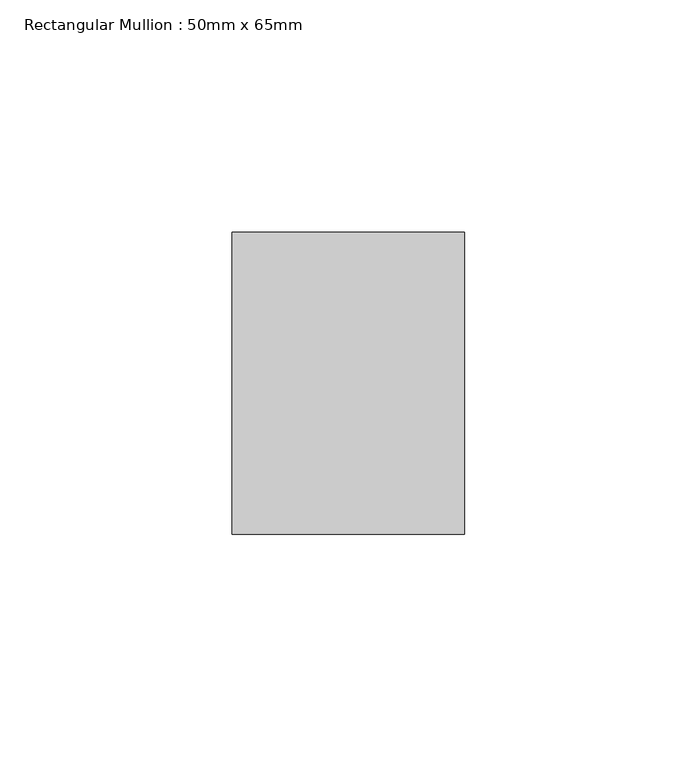
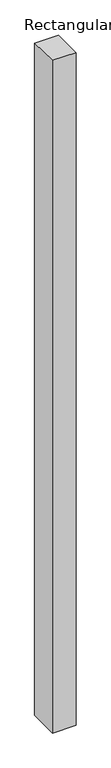
"""IFC4 building model written with IfcOpenShell, lengths in millimetres: member geometry, Rectangular Mullion : 50mm x 65mm."""

from ifc_helpers import new_model, si_unit, origin, place, context, project, spatial, faceted_brep, source, transform, mapped, element, save


def rectangular_mullion_50mm_x_65mm_99ed0cf4(model_context):
    return source(origin(), model_context, "Body", "Brep", [
        faceted_brep([(-25.0, 32.5, -0.496678), (25.0, 32.5, -0.4966773), (25.0, 32.5, -1499.5921501), (-25.0, 32.5, -1499.5921495), (-25.0, -32.5, 0.4966773), (-25.0, -32.5, -1500.4068012), (25.0, -32.5, 0.496678), (25.0, -32.5, -1500.4068017)], [[[0, 1, 2, 3]], [[4, 0, 3, 5]], [[6, 4, 5, 7]], [[1, 6, 7, 2]], [[1, 0, 4, 6]], [[2, 7, 5, 3]]]),
    ])


if __name__ == "__main__":
    model = new_model("IFC4")
    model_context = context("Model", 3, world=origin())
    ifc_project = project(units=[si_unit("LENGTHUNIT", "METRE", prefix="MILLI")], contexts=[model_context])
    site = spatial("IfcSite", under=ifc_project)
    building = spatial("IfcBuilding", under=site)
    placement = place(None, origin())
    rectangular_mullion_50mm_x_65mm_shape = rectangular_mullion_50mm_x_65mm_99ed0cf4(model_context)
    element("IfcMember", 1, ObjectType="Rectangular Mullion : 50mm x 65mm", at=placement, inside=building, context=model_context, shape_type="MappedRepresentation", body=[
        mapped(rectangular_mullion_50mm_x_65mm_shape, transform((0.0, 0.0, 0.0), x_axis=(1.0, 0.0, 0.0), y_axis=(0.0, 1.0, 0.0), z_axis=(0.0, 0.0, 1.0))),
    ])
    save(model, "model.ifc")
